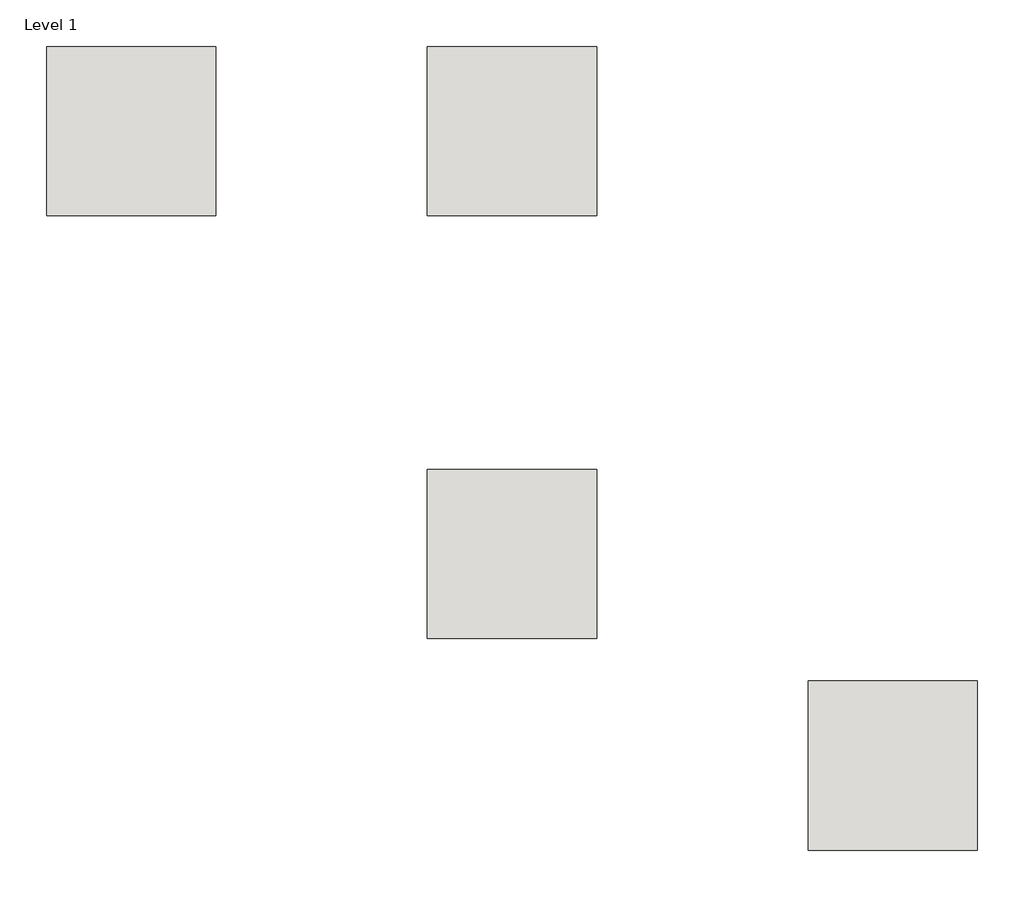
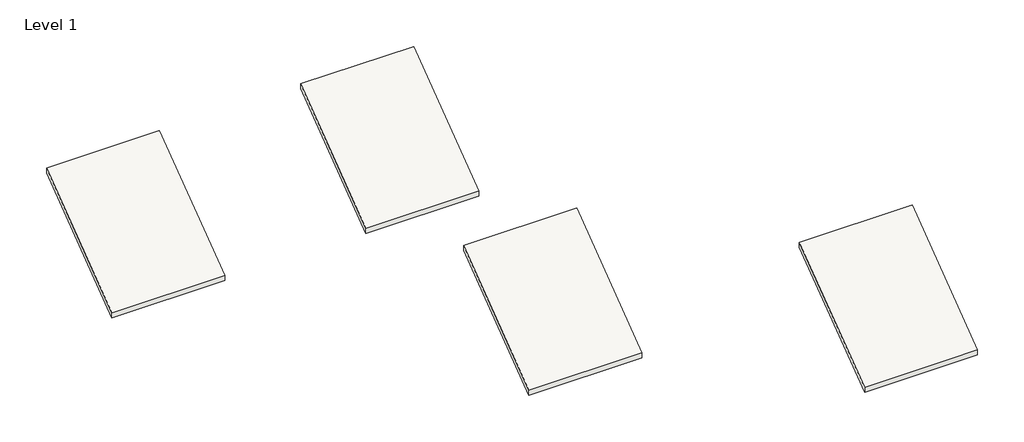
# One storey, part 3 of 10: 4 roofs.
"""IFC4 building model written with IfcOpenShell, lengths in millimetres."""

from ifc_helpers import new_model, si_unit, frame, origin, place, context, project, spatial, polyline, outline, extrude, element, save

model = new_model("IFC4")

# Units and contexts
model_context = context("Model", 3, world=origin())
ifc_project = project(units=[si_unit("LENGTHUNIT", "METRE", prefix="MILLI")], contexts=[model_context])

# Site, building, storey
site = spatial("IfcSite", under=ifc_project)
building = spatial("IfcBuilding", under=site)
storey = spatial("IfcBuildingStorey", under=building, Name="Level 1", Elevation=0.0)

# Roofs
placement = place(None, origin())
element("IfcRoof", 1, at=placement, inside=storey, context=model_context, shape_type="SweptSolid", body=[
    extrude(outline(polyline([(161393.0242732, -45942.0854012), (167489.0242732, -41370.0854012), (167489.0242732, -41655.8354012), (161393.0242732, -46227.8354012), (161393.0242732, -45942.0854012)])), frame((94103.5288668, 0.0, 0.0), z_axis=(1.0, 0.0, 0.0), x_axis=(0.0, 1.0, 0.0)), (0.0, 0.0, 1.0), 6096.0),
])
element("IfcRoof", 2, at=placement, inside=storey, context=model_context, shape_type="SweptSolid", body=[
    extrude(outline(polyline([(169013.0242732, -45942.0854012), (175109.0242732, -41370.0854012), (175109.0242732, -41655.8354012), (169013.0242732, -46227.8354012), (169013.0242732, -45942.0854012)])), frame((80387.5288668, 0.0, 0.0), z_axis=(1.0, 0.0, 0.0), x_axis=(0.0, 1.0, 0.0)), (0.0, 0.0, 1.0), 6096.0),
])
element("IfcRoof", 3, at=placement, inside=storey, context=model_context, shape_type="SweptSolid", body=[
    extrude(outline(polyline([(184253.0242732, -45942.0854012), (190349.0242732, -41370.0854012), (190349.0242732, -41655.8354012), (184253.0242732, -46227.8354012), (184253.0242732, -45942.0854012)])), frame((66671.5288668, 0.0, 0.0), z_axis=(1.0, 0.0, 0.0), x_axis=(0.0, 1.0, 0.0)), (0.0, 0.0, 1.0), 6096.0),
])
element("IfcRoof", 4, at=placement, inside=storey, context=model_context, shape_type="SweptSolid", body=[
    extrude(outline(polyline([(184253.0242732, -45942.0854012), (190349.0242732, -41370.0854012), (190349.0242732, -41655.8354012), (184253.0242732, -46227.8354012), (184253.0242732, -45942.0854012)])), frame((80387.5288668, 0.0, 0.0), z_axis=(1.0, 0.0, 0.0), x_axis=(0.0, 1.0, 0.0)), (0.0, 0.0, 1.0), 6096.0),
])

save(model, "model.ifc")
